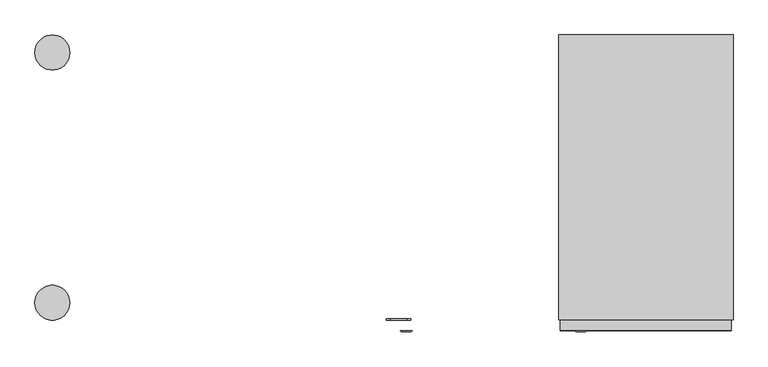
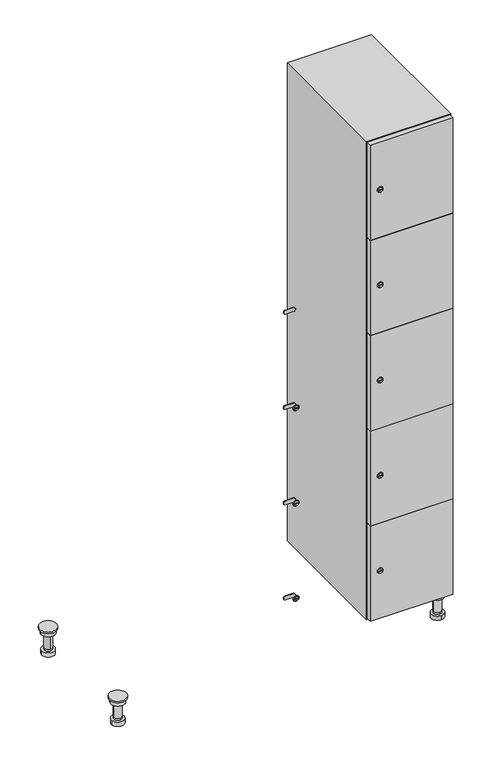
"""IFC4 building model written with IfcOpenShell, lengths in millimetres: furniture geometry."""

from ifc_helpers import new_model, si_unit, point, frame, frame_2d, origin, place, context, project, spatial, polyline, circle_curve, trimmed, segment, composite_curve, outline, extrude, faceted_brep, source, transform, mapped, element, save
from ifc_brep_helpers import plane_surface, cylinder_surface, revolved_surface, advanced_brep


def furniture_3478389c(model_context):
    return source(origin(), model_context, "Body", "SolidModel", [
        advanced_brep(
        [(970.0, -201.0, 22.0), (970.0, -201.5, 16.0), (970.0, -228.5, 16.0), (970.0, -229.0, 22.0), (956.0, -215.0, 22.0), (984.0, -215.0, 22.0), (970.0, -192.5, 16.0), (970.0, -237.5, 16.0), (970.0, -192.5, 0.0), (970.0, -237.5, 0.0), (984.0, -215.0, 78.0), (956.0, -215.0, 78.0), (995.0, -215.0, 78.0), (945.0, -215.0, 78.0), (1000.0, -215.0, 94.0), (940.0, -215.0, 94.0), (945.0, -215.0, 94.0), (995.0, -215.0, 94.0), (1000.0, -215.0, 100.0), (940.0, -215.0, 100.0)],
        [
            (0, 1),
            (1, 2, circle_curve(frame((970.0, -215.0, 16.0), z_axis=(0.0, 0.0, 1.0), x_axis=(0.0, -1.0, 0.0)), 13.5)),
            (2, 3),
            (3, 4, circle_curve(frame((970.0, -215.0, 22.0), z_axis=(0.0, 0.0, -1.0), x_axis=(0.0, -1.0, 0.0)), 14.0)),
            (4, 0, circle_curve(frame((970.0, -215.0, 22.0), z_axis=(0.0, 0.0, -1.0), x_axis=(0.0, -1.0, 0.0)), 14.0)),
            (0, 5, circle_curve(frame((970.0, -215.0, 22.0), z_axis=(0.0, 0.0, -1.0), x_axis=(0.0, 1.0, 0.0)), 14.0)),
            (5, 3, circle_curve(frame((970.0, -215.0, 22.0), z_axis=(0.0, 0.0, -1.0), x_axis=(0.0, 1.0, 0.0)), 14.0)),
            (2, 1, circle_curve(frame((970.0, -215.0, 16.0), z_axis=(0.0, 0.0, 1.0), x_axis=(0.0, 1.0, 0.0)), 13.5)),
            (6, 7, circle_curve(frame((970.0, -215.0, 16.0), z_axis=(0.0, 0.0, 1.0), x_axis=(0.0, -1.0, 0.0)), 22.5)),
            (7, 6, circle_curve(frame((970.0, -215.0, 16.0), z_axis=(0.0, 0.0, 1.0), x_axis=(0.0, -1.0, 0.0)), 22.5)),
            (8, 9, circle_curve(frame((970.0, -215.0, 0.0), z_axis=(0.0, 0.0, -1.0), x_axis=(0.0, -1.0, 0.0)), 22.5)),
            (9, 8, circle_curve(frame((970.0, -215.0, 0.0), z_axis=(0.0, 0.0, -1.0), x_axis=(0.0, -1.0, 0.0)), 22.5)),
            (6, 8),
            (9, 7),
            (5, 10),
            (10, 11, circle_curve(frame((970.0, -215.0, 78.0), z_axis=(0.0, 0.0, -1.0), x_axis=(-1.0, 0.0, 0.0)), 14.0)),
            (11, 4),
            (11, 10, circle_curve(frame((970.0, -215.0, 78.0), z_axis=(0.0, 0.0, -1.0), x_axis=(-1.0, 0.0, 0.0)), 14.0)),
            (12, 13, circle_curve(frame((970.0, -215.0, 78.0), z_axis=(0.0, 0.0, -1.0), x_axis=(-1.0, 0.0, 0.0)), 25.0)),
            (13, 12, circle_curve(frame((970.0, -215.0, 78.0), z_axis=(0.0, 0.0, -1.0), x_axis=(-1.0, 0.0, 0.0)), 25.0)),
            (14, 15, circle_curve(frame((970.0, -215.0, 94.0), z_axis=(0.0, 0.0, -1.0), x_axis=(-1.0, 0.0, 0.0)), 30.0)),
            (15, 14, circle_curve(frame((970.0, -215.0, 94.0), z_axis=(0.0, 0.0, -1.0), x_axis=(-1.0, 0.0, 0.0)), 30.0)),
            (16, 17, circle_curve(frame((970.0, -215.0, 94.0), z_axis=(0.0, 0.0, 1.0), x_axis=(-1.0, 0.0, 0.0)), 25.0)),
            (17, 16, circle_curve(frame((970.0, -215.0, 94.0), z_axis=(0.0, 0.0, 1.0), x_axis=(-1.0, 0.0, 0.0)), 25.0)),
            (18, 19, circle_curve(frame((970.0, -215.0, 100.0), z_axis=(0.0, 0.0, 1.0), x_axis=(-1.0, 0.0, 0.0)), 30.0)),
            (19, 18, circle_curve(frame((970.0, -215.0, 100.0), z_axis=(0.0, 0.0, 1.0), x_axis=(-1.0, 0.0, 0.0)), 30.0)),
            (14, 18),
            (19, 15),
            (12, 17),
            (16, 13),
        ],
        [
            revolved_surface(polyline([(970.0, -201.5, 16.0), (970.0, -201.0, 22.0)]), (970.0, -215.0, -146.0), (0.0, 0.0, 1.0)),
            plane_surface(frame((970.0, 0.0, 16.0), z_axis=(0.0, 0.0, 1.0), x_axis=(0.0, -1.0, 0.0))),
            plane_surface(frame((970.0, 0.0, 0.0), z_axis=(0.0, 0.0, -1.0), x_axis=(0.0, -1.0, 0.0))),
            cylinder_surface(frame((970.0, -215.0, 16.0), z_axis=(0.0, 0.0, 1.0), x_axis=(0.0, -1.0, 0.0)), 22.5),
            cylinder_surface(frame((970.0, -215.0, 22.0), z_axis=(0.0, 0.0, -1.0), x_axis=(-1.0, 0.0, 0.0)), 14.0),
            plane_surface(frame((970.0, 0.0, 78.0), z_axis=(0.0, 0.0, -1.0), x_axis=(0.0, -1.0, 0.0))),
            plane_surface(frame((970.0, 0.0, 94.0), z_axis=(0.0, 0.0, -1.0), x_axis=(0.0, -1.0, 0.0))),
            plane_surface(frame((970.0, 0.0, 100.0), z_axis=(0.0, 0.0, 1.0), x_axis=(0.0, -1.0, 0.0))),
            cylinder_surface(frame((970.0, -215.0, 94.0), z_axis=(0.0, 0.0, -1.0), x_axis=(-1.0, 0.0, 0.0)), 30.0),
            cylinder_surface(frame((970.0, -215.0, 78.0), z_axis=(0.0, 0.0, -1.0), x_axis=(-1.0, 0.0, 0.0)), 25.0),
        ],
        [
            (0, [[1, 2, 3, 4, 5]]),
            (0, [[-1, 6, 7, -3, 8]]),
            (1, [[9, 10], [-2, -8]]),
            (2, [[11, 12]]),
            (3, [[-9, 13, -12, 14]]),
            (3, [[-10, -14, -11, -13]]),
            (4, [[15, 16, 17, -4, -7]]),
            (4, [[-15, -6, -5, -17, 18]]),
            (5, [[19, 20], [-16, -18]]),
            (6, [[21, 22], [23, 24]]),
            (7, [[25, 26]]),
            (8, [[-21, 27, -26, 28]]),
            (8, [[-22, -28, -25, -27]]),
            (9, [[-19, 29, -23, 30]]),
            (9, [[-20, -30, -24, -29]]),
        ],
    ),
        advanced_brep(
        [(-170.0, -201.0, 22.0), (-170.0, -201.5, 16.0), (-170.0, -228.5, 16.0), (-170.0, -229.0, 22.0), (-184.0, -215.0, 22.0), (-156.0, -215.0, 22.0), (-147.5, -215.0, 0.0), (-192.5, -215.0, 0.0), (-147.5, -215.0, 16.0), (-192.5, -215.0, 16.0), (-156.0, -215.0, 78.0), (-184.0, -215.0, 78.0), (-145.0, -215.0, 78.0), (-195.0, -215.0, 78.0), (-140.0, -215.0, 94.0), (-200.0, -215.0, 94.0), (-195.0, -215.0, 94.0), (-145.0, -215.0, 94.0), (-140.0, -215.0, 100.0), (-200.0, -215.0, 100.0)],
        [
            (0, 1),
            (1, 2, circle_curve(frame((-170.0, -215.0, 16.0), z_axis=(0.0, 0.0, 1.0), x_axis=(0.0, -1.0, 0.0)), 13.5)),
            (2, 3),
            (3, 4, circle_curve(frame((-170.0, -215.0, 22.0), z_axis=(0.0, 0.0, -1.0), x_axis=(0.0, -1.0, 0.0)), 14.0)),
            (4, 0, circle_curve(frame((-170.0, -215.0, 22.0), z_axis=(0.0, 0.0, -1.0), x_axis=(0.0, -1.0, 0.0)), 14.0)),
            (0, 5, circle_curve(frame((-170.0, -215.0, 22.0), z_axis=(0.0, 0.0, -1.0), x_axis=(0.0, 1.0, 0.0)), 14.0)),
            (5, 3, circle_curve(frame((-170.0, -215.0, 22.0), z_axis=(0.0, 0.0, -1.0), x_axis=(0.0, 1.0, 0.0)), 14.0)),
            (2, 1, circle_curve(frame((-170.0, -215.0, 16.0), z_axis=(0.0, 0.0, 1.0), x_axis=(0.0, 1.0, 0.0)), 13.5)),
            (6, 7, circle_curve(frame((-170.0, -215.0, 0.0), z_axis=(0.0, 0.0, -1.0), x_axis=(-1.0, 0.0, 0.0)), 22.5)),
            (7, 6, circle_curve(frame((-170.0, -215.0, 0.0), z_axis=(0.0, 0.0, -1.0), x_axis=(-1.0, 0.0, 0.0)), 22.5)),
            (8, 9, circle_curve(frame((-170.0, -215.0, 16.0), z_axis=(0.0, 0.0, 1.0), x_axis=(-1.0, 0.0, 0.0)), 22.5)),
            (9, 8, circle_curve(frame((-170.0, -215.0, 16.0), z_axis=(0.0, 0.0, 1.0), x_axis=(-1.0, 0.0, 0.0)), 22.5)),
            (6, 8),
            (9, 7),
            (5, 10),
            (10, 11, circle_curve(frame((-170.0, -215.0, 78.0), z_axis=(0.0, 0.0, -1.0), x_axis=(-1.0, 0.0, 0.0)), 14.0)),
            (11, 4),
            (11, 10, circle_curve(frame((-170.0, -215.0, 78.0), z_axis=(0.0, 0.0, -1.0), x_axis=(-1.0, 0.0, 0.0)), 14.0)),
            (12, 13, circle_curve(frame((-170.0, -215.0, 78.0), z_axis=(0.0, 0.0, -1.0), x_axis=(-1.0, 0.0, 0.0)), 25.0)),
            (13, 12, circle_curve(frame((-170.0, -215.0, 78.0), z_axis=(0.0, 0.0, -1.0), x_axis=(-1.0, 0.0, 0.0)), 25.0)),
            (14, 15, circle_curve(frame((-170.0, -215.0, 94.0), z_axis=(0.0, 0.0, -1.0), x_axis=(-1.0, 0.0, 0.0)), 30.0)),
            (15, 14, circle_curve(frame((-170.0, -215.0, 94.0), z_axis=(0.0, 0.0, -1.0), x_axis=(-1.0, 0.0, 0.0)), 30.0)),
            (16, 17, circle_curve(frame((-170.0, -215.0, 94.0), z_axis=(0.0, 0.0, 1.0), x_axis=(-1.0, 0.0, 0.0)), 25.0)),
            (17, 16, circle_curve(frame((-170.0, -215.0, 94.0), z_axis=(0.0, 0.0, 1.0), x_axis=(-1.0, 0.0, 0.0)), 25.0)),
            (18, 19, circle_curve(frame((-170.0, -215.0, 100.0), z_axis=(0.0, 0.0, 1.0), x_axis=(-1.0, 0.0, 0.0)), 30.0)),
            (19, 18, circle_curve(frame((-170.0, -215.0, 100.0), z_axis=(0.0, 0.0, 1.0), x_axis=(-1.0, 0.0, 0.0)), 30.0)),
            (14, 18),
            (19, 15),
            (12, 17),
            (16, 13),
        ],
        [
            revolved_surface(polyline([(-170.0, -201.5, 16.0), (-170.0, -201.0, 22.0)]), (-170.0, -215.0, -146.0), (0.0, 0.0, 1.0)),
            plane_surface(frame((-170.0, 0.0, 0.0), z_axis=(0.0, 0.0, -1.0), x_axis=(0.0, -1.0, 0.0))),
            plane_surface(frame((-170.0, 0.0, 16.0), z_axis=(0.0, 0.0, 1.0), x_axis=(0.0, -1.0, 0.0))),
            cylinder_surface(frame((-170.0, -215.0, 0.0), z_axis=(0.0, 0.0, -1.0), x_axis=(-1.0, 0.0, 0.0)), 22.5),
            cylinder_surface(frame((-170.0, -215.0, 22.0), z_axis=(0.0, 0.0, -1.0), x_axis=(-1.0, 0.0, 0.0)), 14.0),
            plane_surface(frame((-170.0, 0.0, 78.0), z_axis=(0.0, 0.0, -1.0), x_axis=(0.0, -1.0, 0.0))),
            plane_surface(frame((-170.0, 0.0, 94.0), z_axis=(0.0, 0.0, -1.0), x_axis=(0.0, -1.0, 0.0))),
            plane_surface(frame((-170.0, 0.0, 100.0), z_axis=(0.0, 0.0, 1.0), x_axis=(0.0, -1.0, 0.0))),
            cylinder_surface(frame((-170.0, -215.0, 94.0), z_axis=(0.0, 0.0, -1.0), x_axis=(-1.0, 0.0, 0.0)), 30.0),
            cylinder_surface(frame((-170.0, -215.0, 78.0), z_axis=(0.0, 0.0, -1.0), x_axis=(-1.0, 0.0, 0.0)), 25.0),
        ],
        [
            (0, [[1, 2, 3, 4, 5]]),
            (0, [[-1, 6, 7, -3, 8]]),
            (1, [[9, 10]]),
            (2, [[11, 12], [-2, -8]]),
            (3, [[-9, 13, -12, 14]]),
            (3, [[-10, -14, -11, -13]]),
            (4, [[15, 16, 17, -4, -7]]),
            (4, [[-15, -6, -5, -17, 18]]),
            (5, [[19, 20], [-16, -18]]),
            (6, [[21, 22], [23, 24]]),
            (7, [[25, 26]]),
            (8, [[-21, 27, -26, 28]]),
            (8, [[-22, -28, -25, -27]]),
            (9, [[-19, 29, -23, 30]]),
            (9, [[-20, -30, -24, -29]]),
        ],
    ),
        advanced_brep(
        [(983.5, 215.0, 16.0), (984.0, 215.0, 22.0), (956.0, 215.0, 22.0), (956.5, 215.0, 16.0), (992.5, 215.0, 0.0), (947.5, 215.0, 0.0), (992.5, 215.0, 16.0), (947.5, 215.0, 16.0), (984.0, 215.0, 78.0), (956.0, 215.0, 78.0), (995.0, 215.0, 78.0), (945.0, 215.0, 78.0), (1000.0, 215.0, 94.0), (940.0, 215.0, 94.0), (945.0, 215.0, 94.0), (995.0, 215.0, 94.0), (1000.0, 215.0, 100.0), (940.0, 215.0, 100.0)],
        [
            (0, 1),
            (1, 2, circle_curve(frame((970.0, 215.0, 22.0), z_axis=(0.0, 0.0, -1.0), x_axis=(-1.0, 0.0, 0.0)), 14.0)),
            (2, 3),
            (3, 0, circle_curve(frame((970.0, 215.0, 16.0), z_axis=(0.0, 0.0, 1.0), x_axis=(-1.0, 0.0, 0.0)), 13.5)),
            (0, 3, circle_curve(frame((970.0, 215.0, 16.0), z_axis=(0.0, 0.0, 1.0), x_axis=(1.0, 0.0, 0.0)), 13.5)),
            (2, 1, circle_curve(frame((970.0, 215.0, 22.0), z_axis=(0.0, 0.0, -1.0), x_axis=(1.0, 0.0, 0.0)), 14.0)),
            (4, 5, circle_curve(frame((970.0, 215.0, 0.0), z_axis=(0.0, 0.0, -1.0), x_axis=(-1.0, 0.0, 0.0)), 22.5)),
            (5, 4, circle_curve(frame((970.0, 215.0, 0.0), z_axis=(0.0, 0.0, -1.0), x_axis=(-1.0, 0.0, 0.0)), 22.5)),
            (6, 7, circle_curve(frame((970.0, 215.0, 16.0), z_axis=(0.0, 0.0, 1.0), x_axis=(-1.0, 0.0, 0.0)), 22.5)),
            (7, 6, circle_curve(frame((970.0, 215.0, 16.0), z_axis=(0.0, 0.0, 1.0), x_axis=(-1.0, 0.0, 0.0)), 22.5)),
            (4, 6),
            (7, 5),
            (1, 8),
            (8, 9, circle_curve(frame((970.0, 215.0, 78.0), z_axis=(0.0, 0.0, -1.0), x_axis=(-1.0, 0.0, 0.0)), 14.0)),
            (9, 2),
            (9, 8, circle_curve(frame((970.0, 215.0, 78.0), z_axis=(0.0, 0.0, -1.0), x_axis=(-1.0, 0.0, 0.0)), 14.0)),
            (10, 11, circle_curve(frame((970.0, 215.0, 78.0), z_axis=(0.0, 0.0, -1.0), x_axis=(-1.0, 0.0, 0.0)), 25.0)),
            (11, 10, circle_curve(frame((970.0, 215.0, 78.0), z_axis=(0.0, 0.0, -1.0), x_axis=(-1.0, 0.0, 0.0)), 25.0)),
            (12, 13, circle_curve(frame((970.0, 215.0, 94.0), z_axis=(0.0, 0.0, -1.0), x_axis=(-1.0, 0.0, 0.0)), 30.0)),
            (13, 12, circle_curve(frame((970.0, 215.0, 94.0), z_axis=(0.0, 0.0, -1.0), x_axis=(-1.0, 0.0, 0.0)), 30.0)),
            (14, 15, circle_curve(frame((970.0, 215.0, 94.0), z_axis=(0.0, 0.0, 1.0), x_axis=(-1.0, 0.0, 0.0)), 25.0)),
            (15, 14, circle_curve(frame((970.0, 215.0, 94.0), z_axis=(0.0, 0.0, 1.0), x_axis=(-1.0, 0.0, 0.0)), 25.0)),
            (16, 17, circle_curve(frame((970.0, 215.0, 100.0), z_axis=(0.0, 0.0, 1.0), x_axis=(-1.0, 0.0, 0.0)), 30.0)),
            (17, 16, circle_curve(frame((970.0, 215.0, 100.0), z_axis=(0.0, 0.0, 1.0), x_axis=(-1.0, 0.0, 0.0)), 30.0)),
            (12, 16),
            (17, 13),
            (10, 15),
            (14, 11),
        ],
        [
            revolved_surface(polyline([(983.5, 215.0, 16.0), (984.0, 215.0, 22.0)]), (970.0, 215.0, -146.0), (0.0, 0.0, 1.0)),
            plane_surface(frame((970.0, 0.0, 0.0), z_axis=(0.0, 0.0, -1.0), x_axis=(0.0, -1.0, 0.0))),
            plane_surface(frame((970.0, 0.0, 16.0), z_axis=(0.0, 0.0, 1.0), x_axis=(0.0, -1.0, 0.0))),
            cylinder_surface(frame((970.0, 215.0, 0.0), z_axis=(0.0, 0.0, -1.0), x_axis=(-1.0, 0.0, 0.0)), 22.5),
            cylinder_surface(frame((970.0, 215.0, 22.0), z_axis=(0.0, 0.0, -1.0), x_axis=(-1.0, 0.0, 0.0)), 14.0),
            plane_surface(frame((970.0, 0.0, 78.0), z_axis=(0.0, 0.0, -1.0), x_axis=(0.0, -1.0, 0.0))),
            plane_surface(frame((970.0, 0.0, 94.0), z_axis=(0.0, 0.0, -1.0), x_axis=(0.0, -1.0, 0.0))),
            plane_surface(frame((970.0, 0.0, 100.0), z_axis=(0.0, 0.0, 1.0), x_axis=(0.0, -1.0, 0.0))),
            cylinder_surface(frame((970.0, 215.0, 94.0), z_axis=(0.0, 0.0, -1.0), x_axis=(-1.0, 0.0, 0.0)), 30.0),
            cylinder_surface(frame((970.0, 215.0, 78.0), z_axis=(0.0, 0.0, -1.0), x_axis=(-1.0, 0.0, 0.0)), 25.0),
        ],
        [
            (0, [[1, 2, 3, 4]]),
            (0, [[-1, 5, -3, 6]]),
            (1, [[7, 8]]),
            (2, [[9, 10], [-4, -5]]),
            (3, [[-7, 11, -10, 12]]),
            (3, [[-8, -12, -9, -11]]),
            (4, [[13, 14, 15, -2]]),
            (4, [[-13, -6, -15, 16]]),
            (5, [[17, 18], [-14, -16]]),
            (6, [[19, 20], [21, 22]]),
            (7, [[23, 24]]),
            (8, [[-19, 25, -24, 26]]),
            (8, [[-20, -26, -23, -25]]),
            (9, [[-17, 27, -21, 28]]),
            (9, [[-18, -28, -22, -27]]),
        ],
    ),
        advanced_brep(
        [(-156.5, 215.0, 16.0), (-156.0, 215.0, 22.0), (-170.0, 201.0, 22.0), (-184.0, 215.0, 22.0), (-183.5, 215.0, 16.0), (-170.0, 229.0, 22.0), (-147.5, 215.0, 0.0), (-192.5, 215.0, 0.0), (-147.5, 215.0, 16.0), (-192.5, 215.0, 16.0), (-170.0, 229.0, 78.0), (-170.0, 201.0, 78.0), (-145.0, 215.0, 78.0), (-195.0, 215.0, 78.0), (-140.0, 215.0, 94.0), (-200.0, 215.0, 94.0), (-195.0, 215.0, 94.0), (-145.0, 215.0, 94.0), (-140.0, 215.0, 100.0), (-200.0, 215.0, 100.0)],
        [
            (0, 1),
            (1, 2, circle_curve(frame((-170.0, 215.0, 22.0), z_axis=(0.0, 0.0, -1.0), x_axis=(-1.0, 0.0, 0.0)), 14.0)),
            (2, 3, circle_curve(frame((-170.0, 215.0, 22.0), z_axis=(0.0, 0.0, -1.0), x_axis=(-1.0, 0.0, 0.0)), 14.0)),
            (3, 4),
            (4, 0, circle_curve(frame((-170.0, 215.0, 16.0), z_axis=(0.0, 0.0, 1.0), x_axis=(-1.0, 0.0, 0.0)), 13.5)),
            (0, 4, circle_curve(frame((-170.0, 215.0, 16.0), z_axis=(0.0, 0.0, 1.0), x_axis=(1.0, 0.0, 0.0)), 13.5)),
            (3, 5, circle_curve(frame((-170.0, 215.0, 22.0), z_axis=(0.0, 0.0, -1.0), x_axis=(1.0, 0.0, 0.0)), 14.0)),
            (5, 1, circle_curve(frame((-170.0, 215.0, 22.0), z_axis=(0.0, 0.0, -1.0), x_axis=(1.0, 0.0, 0.0)), 14.0)),
            (6, 7, circle_curve(frame((-170.0, 215.0, 0.0), z_axis=(0.0, 0.0, -1.0), x_axis=(-1.0, 0.0, 0.0)), 22.5)),
            (7, 6, circle_curve(frame((-170.0, 215.0, 0.0), z_axis=(0.0, 0.0, -1.0), x_axis=(-1.0, 0.0, 0.0)), 22.5)),
            (8, 9, circle_curve(frame((-170.0, 215.0, 16.0), z_axis=(0.0, 0.0, 1.0), x_axis=(-1.0, 0.0, 0.0)), 22.5)),
            (9, 8, circle_curve(frame((-170.0, 215.0, 16.0), z_axis=(0.0, 0.0, 1.0), x_axis=(-1.0, 0.0, 0.0)), 22.5)),
            (6, 8),
            (9, 7),
            (10, 5),
            (2, 11),
            (11, 10, circle_curve(frame((-170.0, 215.0, 78.0), z_axis=(0.0, 0.0, -1.0), x_axis=(0.0, -1.0, 0.0)), 14.0)),
            (10, 11, circle_curve(frame((-170.0, 215.0, 78.0), z_axis=(0.0, 0.0, -1.0), x_axis=(0.0, -1.0, 0.0)), 14.0)),
            (12, 13, circle_curve(frame((-170.0, 215.0, 78.0), z_axis=(0.0, 0.0, -1.0), x_axis=(-1.0, 0.0, 0.0)), 25.0)),
            (13, 12, circle_curve(frame((-170.0, 215.0, 78.0), z_axis=(0.0, 0.0, -1.0), x_axis=(-1.0, 0.0, 0.0)), 25.0)),
            (14, 15, circle_curve(frame((-170.0, 215.0, 94.0), z_axis=(0.0, 0.0, -1.0), x_axis=(-1.0, 0.0, 0.0)), 30.0)),
            (15, 14, circle_curve(frame((-170.0, 215.0, 94.0), z_axis=(0.0, 0.0, -1.0), x_axis=(-1.0, 0.0, 0.0)), 30.0)),
            (16, 17, circle_curve(frame((-170.0, 215.0, 94.0), z_axis=(0.0, 0.0, 1.0), x_axis=(-1.0, 0.0, 0.0)), 25.0)),
            (17, 16, circle_curve(frame((-170.0, 215.0, 94.0), z_axis=(0.0, 0.0, 1.0), x_axis=(-1.0, 0.0, 0.0)), 25.0)),
            (18, 19, circle_curve(frame((-170.0, 215.0, 100.0), z_axis=(0.0, 0.0, 1.0), x_axis=(-1.0, 0.0, 0.0)), 30.0)),
            (19, 18, circle_curve(frame((-170.0, 215.0, 100.0), z_axis=(0.0, 0.0, 1.0), x_axis=(-1.0, 0.0, 0.0)), 30.0)),
            (14, 18),
            (19, 15),
            (12, 17),
            (16, 13),
        ],
        [
            revolved_surface(polyline([(-156.5, 215.0, 16.0), (-156.0, 215.0, 22.0)]), (-170.0, 215.0, -146.0), (0.0, 0.0, 1.0)),
            plane_surface(frame((-170.0, 0.0, 0.0), z_axis=(0.0, 0.0, -1.0), x_axis=(0.0, -1.0, 0.0))),
            plane_surface(frame((-170.0, 0.0, 16.0), z_axis=(0.0, 0.0, 1.0), x_axis=(0.0, -1.0, 0.0))),
            cylinder_surface(frame((-170.0, 215.0, 0.0), z_axis=(0.0, 0.0, -1.0), x_axis=(-1.0, 0.0, 0.0)), 22.5),
            cylinder_surface(frame((-170.0, 215.0, 78.0), z_axis=(0.0, 0.0, 1.0), x_axis=(0.0, -1.0, 0.0)), 14.0),
            plane_surface(frame((-170.0, 0.0, 78.0), z_axis=(0.0, 0.0, -1.0), x_axis=(0.0, -1.0, 0.0))),
            plane_surface(frame((-170.0, 0.0, 94.0), z_axis=(0.0, 0.0, -1.0), x_axis=(0.0, -1.0, 0.0))),
            plane_surface(frame((-170.0, 0.0, 100.0), z_axis=(0.0, 0.0, 1.0), x_axis=(0.0, -1.0, 0.0))),
            cylinder_surface(frame((-170.0, 215.0, 94.0), z_axis=(0.0, 0.0, -1.0), x_axis=(-1.0, 0.0, 0.0)), 30.0),
            cylinder_surface(frame((-170.0, 215.0, 78.0), z_axis=(0.0, 0.0, -1.0), x_axis=(-1.0, 0.0, 0.0)), 25.0),
        ],
        [
            (0, [[1, 2, 3, 4, 5]]),
            (0, [[-1, 6, -4, 7, 8]]),
            (1, [[9, 10]]),
            (2, [[11, 12], [-5, -6]]),
            (3, [[-9, 13, -12, 14]]),
            (3, [[-10, -14, -11, -13]]),
            (4, [[15, -7, -3, 16, 17]]),
            (4, [[-15, 18, -16, -2, -8]]),
            (5, [[19, 20], [-17, -18]]),
            (6, [[21, 22], [23, 24]]),
            (7, [[25, 26]]),
            (8, [[-21, 27, -26, 28]]),
            (8, [[-22, -28, -25, -27]]),
            (9, [[-19, 29, -23, 30]]),
            (9, [[-20, -30, -24, -29]]),
        ],
    ),
        extrude(outline(composite_curve([segment(trimmed(circle_curve(frame_2d((282.4, 711.2010534)), 7.0), [point((289.4, 711.2010534))], [point((275.4, 711.2010534))], False, "CARTESIAN"), True, "CONTINUOUS"), segment(polyline([(275.4, 711.2010534), (275.4, 739.2010534)]), True, "CONTINUOUS"), segment(trimmed(circle_curve(frame_2d((282.4, 739.2010534)), 7.0), [point((275.4, 739.2010534))], [point((289.4, 739.2010534))], False, "CARTESIAN"), True, "CONTINUOUS"), segment(polyline([(289.4, 739.2010534), (289.4, 711.2010534)]), True, "CONTINUOUS")], self_intersect=False)), frame((0.0, -245.0, 0.0), z_axis=(0.0, 1.0, 0.0), x_axis=(0.0, 0.0, 1.0)), (0.0, 0.0, 1.0), 2.0),
        advanced_brep(
        [(746.5, -265.2, 282.4), (729.5, -265.2, 282.4), (733.0, -265.2, 281.15), (733.0, -265.2, 283.65), (743.0, -265.2, 283.65), (743.0, -265.2, 281.15), (748.5, -263.0, 282.4), (727.5, -263.0, 282.4), (733.0, -263.0, 283.65), (733.0, -263.0, 281.15), (743.0, -263.0, 281.15), (743.0, -263.0, 283.65)],
        [
            (0, 1, circle_curve(frame((738.0, -265.2, 282.4), z_axis=(0.0, -1.0, 0.0), x_axis=(1.0, 0.0, 0.0)), 8.5)),
            (1, 0, circle_curve(frame((738.0, -265.2, 282.4), z_axis=(0.0, -1.0, 0.0), x_axis=(-1.0, 0.0, 0.0)), 8.5)),
            (2, 3),
            (3, 4),
            (4, 5),
            (5, 2),
            (6, 7, circle_curve(frame((738.0, -263.0, 282.4), z_axis=(0.0, 1.0, 0.0), x_axis=(-1.0, 0.0, 0.0)), 10.5)),
            (7, 6, circle_curve(frame((738.0, -263.0, 282.4), z_axis=(0.0, 1.0, 0.0), x_axis=(1.0, 0.0, 0.0)), 10.5)),
            (8, 9),
            (9, 10),
            (10, 11),
            (11, 8),
            (0, 6),
            (7, 1),
            (8, 3),
            (2, 9),
            (11, 4),
            (10, 5),
        ],
        [
            plane_surface(frame((738.0, -265.2, 282.4), z_axis=(0.0, -1.0, 0.0), x_axis=(0.0, 0.0, 1.0))),
            plane_surface(frame((738.0, -263.0, 282.4), z_axis=(0.0, 1.0, 0.0), x_axis=(0.0, 0.0, 1.0))),
            revolved_surface(polyline([(746.5, -265.2, 282.4), (748.5, -263.0, 282.4)]), (738.0, -274.55, 282.4), (0.0, 1.0, 0.0)),
            revolved_surface(polyline([(729.5, -265.2, 282.4), (727.5, -263.0, 282.4)]), (738.0, -274.55, 282.4), (0.0, 1.0, 0.0)),
            plane_surface(frame((733.0, -263.0, 281.15), z_axis=(1.0, 0.0, 0.0), x_axis=(0.0, -1.0, 0.0))),
            plane_surface(frame((733.0, -263.0, 283.65), z_axis=(0.0, 0.0, -1.0), x_axis=(0.0, -1.0, 0.0))),
            plane_surface(frame((743.0, -263.0, 283.65), z_axis=(-1.0, 0.0, 0.0), x_axis=(0.0, -1.0, 0.0))),
            plane_surface(frame((743.0, -263.0, 281.15), z_axis=(0.0, 0.0, 1.0), x_axis=(0.0, -1.0, 0.0))),
        ],
        [
            (0, [[1, 2], [3, 4, 5, 6]]),
            (1, [[7, 8], [9, 10, 11, 12]]),
            (2, [[-1, 13, -8, 14]]),
            (3, [[-2, -14, -7, -13]]),
            (4, [[15, -3, 16, -9]]),
            (5, [[-15, -12, 17, -4]]),
            (6, [[-17, -11, 18, -5]]),
            (7, [[-16, -6, -18, -10]]),
        ],
    ),
        extrude(outline(composite_curve([segment(trimmed(circle_curve(frame_2d((641.2, 711.2010534)), 7.0), [point((648.2, 711.2010534))], [point((634.2, 711.2010534))], False, "CARTESIAN"), True, "CONTINUOUS"), segment(polyline([(634.2, 711.2010534), (634.2, 739.2010534)]), True, "CONTINUOUS"), segment(trimmed(circle_curve(frame_2d((641.2, 739.2010534)), 7.0), [point((634.2, 739.2010534))], [point((648.2, 739.2010534))], False, "CARTESIAN"), True, "CONTINUOUS"), segment(polyline([(648.2, 739.2010534), (648.2, 711.2010534)]), True, "CONTINUOUS")], self_intersect=False)), frame((0.0, -245.0, 0.0), z_axis=(0.0, 1.0, 0.0), x_axis=(0.0, 0.0, 1.0)), (0.0, 0.0, 1.0), 2.0),
        advanced_brep(
        [(746.5, -265.2, 641.2), (729.5, -265.2, 641.2), (733.0, -265.2, 639.95), (733.0, -265.2, 642.45), (743.0, -265.2, 642.45), (743.0, -265.2, 639.95), (748.5, -263.0, 641.2), (727.5, -263.0, 641.2), (733.0, -263.0, 642.45), (733.0, -263.0, 639.95), (743.0, -263.0, 639.95), (743.0, -263.0, 642.45)],
        [
            (0, 1, circle_curve(frame((738.0, -265.2, 641.2), z_axis=(0.0, -1.0, 0.0), x_axis=(1.0, 0.0, 0.0)), 8.5)),
            (1, 0, circle_curve(frame((738.0, -265.2, 641.2), z_axis=(0.0, -1.0, 0.0), x_axis=(-1.0, 0.0, 0.0)), 8.5)),
            (2, 3),
            (3, 4),
            (4, 5),
            (5, 2),
            (6, 7, circle_curve(frame((738.0, -263.0, 641.2), z_axis=(0.0, 1.0, 0.0), x_axis=(-1.0, 0.0, 0.0)), 10.5)),
            (7, 6, circle_curve(frame((738.0, -263.0, 641.2), z_axis=(0.0, 1.0, 0.0), x_axis=(1.0, 0.0, 0.0)), 10.5)),
            (8, 9),
            (9, 10),
            (10, 11),
            (11, 8),
            (0, 6),
            (7, 1),
            (8, 3),
            (2, 9),
            (11, 4),
            (10, 5),
        ],
        [
            plane_surface(frame((738.0, -265.2, 641.2), z_axis=(0.0, -1.0, 0.0), x_axis=(0.0, 0.0, 1.0))),
            plane_surface(frame((738.0, -263.0, 641.2), z_axis=(0.0, 1.0, 0.0), x_axis=(0.0, 0.0, 1.0))),
            revolved_surface(polyline([(746.5, -265.2, 641.2), (748.5, -263.0, 641.2)]), (738.0, -274.55, 641.2), (0.0, 1.0, 0.0)),
            revolved_surface(polyline([(729.5, -265.2, 641.2), (727.5, -263.0, 641.2)]), (738.0, -274.55, 641.2), (0.0, 1.0, 0.0)),
            plane_surface(frame((733.0, -263.0, 639.95), z_axis=(1.0, 0.0, 0.0), x_axis=(0.0, -1.0, 0.0))),
            plane_surface(frame((733.0, -263.0, 642.45), z_axis=(0.0, 0.0, -1.0), x_axis=(0.0, -1.0, 0.0))),
            plane_surface(frame((743.0, -263.0, 642.45), z_axis=(-1.0, 0.0, 0.0), x_axis=(0.0, -1.0, 0.0))),
            plane_surface(frame((743.0, -263.0, 639.95), z_axis=(0.0, 0.0, 1.0), x_axis=(0.0, -1.0, 0.0))),
        ],
        [
            (0, [[1, 2], [3, 4, 5, 6]]),
            (1, [[7, 8], [9, 10, 11, 12]]),
            (2, [[-1, 13, -8, 14]]),
            (3, [[-2, -14, -7, -13]]),
            (4, [[15, -3, 16, -9]]),
            (5, [[-15, -12, 17, -4]]),
            (6, [[-17, -11, 18, -5]]),
            (7, [[-16, -6, -18, -10]]),
        ],
    ),
        extrude(outline(composite_curve([segment(trimmed(circle_curve(frame_2d((1000.0, 711.2010534)), 7.0), [point((1007.0, 711.2010534))], [point((993.0, 711.2010534))], False, "CARTESIAN"), True, "CONTINUOUS"), segment(polyline([(993.0, 711.2010534), (993.0, 739.2010534)]), True, "CONTINUOUS"), segment(trimmed(circle_curve(frame_2d((1000.0, 739.2010534)), 7.0), [point((993.0, 739.2010534))], [point((1007.0, 739.2010534))], False, "CARTESIAN"), True, "CONTINUOUS"), segment(polyline([(1007.0, 739.2010534), (1007.0, 711.2010534)]), True, "CONTINUOUS")], self_intersect=False)), frame((0.0, -245.0, 0.0), z_axis=(0.0, 1.0, 0.0), x_axis=(0.0, 0.0, 1.0)), (0.0, 0.0, 1.0), 2.0),
        advanced_brep(
        [(746.5, -265.2, 1000.0), (729.5, -265.2, 1000.0), (733.0, -265.2, 998.75), (733.0, -265.2, 1001.25), (743.0, -265.2, 1001.25), (743.0, -265.2, 998.75), (748.5, -263.0, 1000.0), (727.5, -263.0, 1000.0), (733.0, -263.0, 1001.25), (733.0, -263.0, 998.75), (743.0, -263.0, 998.75), (743.0, -263.0, 1001.25)],
        [
            (0, 1, circle_curve(frame((738.0, -265.2, 1000.0), z_axis=(0.0, -1.0, 0.0), x_axis=(1.0, 0.0, 0.0)), 8.5)),
            (1, 0, circle_curve(frame((738.0, -265.2, 1000.0), z_axis=(0.0, -1.0, 0.0), x_axis=(-1.0, 0.0, 0.0)), 8.5)),
            (2, 3),
            (3, 4),
            (4, 5),
            (5, 2),
            (6, 7, circle_curve(frame((738.0, -263.0, 1000.0), z_axis=(0.0, 1.0, 0.0), x_axis=(-1.0, 0.0, 0.0)), 10.5)),
            (7, 6, circle_curve(frame((738.0, -263.0, 1000.0), z_axis=(0.0, 1.0, 0.0), x_axis=(1.0, 0.0, 0.0)), 10.5)),
            (8, 9),
            (9, 10),
            (10, 11),
            (11, 8),
            (0, 6),
            (7, 1),
            (8, 3),
            (2, 9),
            (11, 4),
            (10, 5),
        ],
        [
            plane_surface(frame((738.0, -265.2, 1000.0), z_axis=(0.0, -1.0, 0.0), x_axis=(0.0, 0.0, 1.0))),
            plane_surface(frame((738.0, -263.0, 1000.0), z_axis=(0.0, 1.0, 0.0), x_axis=(0.0, 0.0, 1.0))),
            revolved_surface(polyline([(746.5, -265.2, 1000.0), (748.5, -263.0, 1000.0)]), (738.0, -274.55, 1000.0), (0.0, 1.0, 0.0)),
            revolved_surface(polyline([(729.5, -265.2, 1000.0), (727.5, -263.0, 1000.0)]), (738.0, -274.55, 1000.0), (0.0, 1.0, 0.0)),
            plane_surface(frame((733.0, -263.0, 998.75), z_axis=(1.0, 0.0, 0.0), x_axis=(0.0, -1.0, 0.0))),
            plane_surface(frame((733.0, -263.0, 1001.25), z_axis=(0.0, 0.0, -1.0), x_axis=(0.0, -1.0, 0.0))),
            plane_surface(frame((743.0, -263.0, 1001.25), z_axis=(-1.0, 0.0, 0.0), x_axis=(0.0, -1.0, 0.0))),
            plane_surface(frame((743.0, -263.0, 998.75), z_axis=(0.0, 0.0, 1.0), x_axis=(0.0, -1.0, 0.0))),
        ],
        [
            (0, [[1, 2], [3, 4, 5, 6]]),
            (1, [[7, 8], [9, 10, 11, 12]]),
            (2, [[-1, 13, -8, 14]]),
            (3, [[-2, -14, -7, -13]]),
            (4, [[15, -3, 16, -9]]),
            (5, [[-15, -12, 17, -4]]),
            (6, [[-17, -11, 18, -5]]),
            (7, [[-16, -6, -18, -10]]),
        ],
    ),
        extrude(outline(composite_curve([segment(trimmed(circle_curve(frame_2d((1358.8, 711.2010534)), 7.0), [point((1365.8, 711.2010534))], [point((1351.8, 711.2010534))], False, "CARTESIAN"), True, "CONTINUOUS"), segment(polyline([(1351.8, 711.2010534), (1351.8, 739.2010534)]), True, "CONTINUOUS"), segment(trimmed(circle_curve(frame_2d((1358.8, 739.2010534)), 7.0), [point((1351.8, 739.2010534))], [point((1365.8, 739.2010534))], False, "CARTESIAN"), True, "CONTINUOUS"), segment(polyline([(1365.8, 739.2010534), (1365.8, 711.2010534)]), True, "CONTINUOUS")], self_intersect=False)), frame((0.0, -245.0, 0.0), z_axis=(0.0, 1.0, 0.0), x_axis=(0.0, 0.0, 1.0)), (0.0, 0.0, 1.0), 2.0),
        advanced_brep(
        [(746.5, -265.2, 1358.8), (729.5, -265.2, 1358.8), (733.0, -265.2, 1357.55), (733.0, -265.2, 1360.05), (743.0, -265.2, 1360.05), (743.0, -265.2, 1357.55), (748.5, -263.0, 1358.8), (727.5, -263.0, 1358.8), (733.0, -263.0, 1360.05), (733.0, -263.0, 1357.55), (743.0, -263.0, 1357.55), (743.0, -263.0, 1360.05)],
        [
            (0, 1, circle_curve(frame((738.0, -265.2, 1358.8), z_axis=(0.0, -1.0, 0.0), x_axis=(1.0, 0.0, 0.0)), 8.5)),
            (1, 0, circle_curve(frame((738.0, -265.2, 1358.8), z_axis=(0.0, -1.0, 0.0), x_axis=(-1.0, 0.0, 0.0)), 8.5)),
            (2, 3),
            (3, 4),
            (4, 5),
            (5, 2),
            (6, 7, circle_curve(frame((738.0, -263.0, 1358.8), z_axis=(0.0, 1.0, 0.0), x_axis=(-1.0, 0.0, 0.0)), 10.5)),
            (7, 6, circle_curve(frame((738.0, -263.0, 1358.8), z_axis=(0.0, 1.0, 0.0), x_axis=(1.0, 0.0, 0.0)), 10.5)),
            (8, 9),
            (9, 10),
            (10, 11),
            (11, 8),
            (0, 6),
            (7, 1),
            (8, 3),
            (2, 9),
            (11, 4),
            (10, 5),
        ],
        [
            plane_surface(frame((738.0, -265.2, 1358.8), z_axis=(0.0, -1.0, 0.0), x_axis=(0.0, 0.0, 1.0))),
            plane_surface(frame((738.0, -263.0, 1358.8), z_axis=(0.0, 1.0, 0.0), x_axis=(0.0, 0.0, 1.0))),
            revolved_surface(polyline([(746.5, -265.2, 1358.8), (748.5, -263.0, 1358.8)]), (738.0, -274.55, 1358.8), (0.0, 1.0, 0.0)),
            revolved_surface(polyline([(729.5, -265.2, 1358.8), (727.5, -263.0, 1358.8)]), (738.0, -274.55, 1358.8), (0.0, 1.0, 0.0)),
            plane_surface(frame((733.0, -263.0, 1357.55), z_axis=(1.0, 0.0, 0.0), x_axis=(0.0, -1.0, 0.0))),
            plane_surface(frame((733.0, -263.0, 1360.05), z_axis=(0.0, 0.0, -1.0), x_axis=(0.0, -1.0, 0.0))),
            plane_surface(frame((743.0, -263.0, 1360.05), z_axis=(-1.0, 0.0, 0.0), x_axis=(0.0, -1.0, 0.0))),
            plane_surface(frame((743.0, -263.0, 1357.55), z_axis=(0.0, 0.0, 1.0), x_axis=(0.0, -1.0, 0.0))),
        ],
        [
            (0, [[1, 2], [3, 4, 5, 6]]),
            (1, [[7, 8], [9, 10, 11, 12]]),
            (2, [[-1, 13, -8, 14]]),
            (3, [[-2, -14, -7, -13]]),
            (4, [[15, -3, 16, -9]]),
            (5, [[-15, -12, 17, -4]]),
            (6, [[-17, -11, 18, -5]]),
            (7, [[-16, -6, -18, -10]]),
        ],
    ),
        extrude(outline(composite_curve([segment(trimmed(circle_curve(frame_2d((1717.6, 711.2010534)), 7.0), [point((1724.6, 711.2010534))], [point((1710.6, 711.2010534))], False, "CARTESIAN"), True, "CONTINUOUS"), segment(polyline([(1710.6, 711.2010534), (1710.6, 739.2010534)]), True, "CONTINUOUS"), segment(trimmed(circle_curve(frame_2d((1717.6, 739.2010534)), 7.0), [point((1710.6, 739.2010534))], [point((1724.6, 739.2010534))], False, "CARTESIAN"), True, "CONTINUOUS"), segment(polyline([(1724.6, 739.2010534), (1724.6, 711.2010534)]), True, "CONTINUOUS")], self_intersect=False)), frame((0.0, -245.0, 0.0), z_axis=(0.0, 1.0, 0.0), x_axis=(0.0, 0.0, 1.0)), (0.0, 0.0, 1.0), 2.0),
        advanced_brep(
        [(746.5, -265.2, 1717.6), (729.5, -265.2, 1717.6), (733.0, -265.2, 1716.35), (733.0, -265.2, 1718.85), (743.0, -265.2, 1718.85), (743.0, -265.2, 1716.35), (748.5, -263.0, 1717.6), (727.5, -263.0, 1717.6), (733.0, -263.0, 1718.85), (733.0, -263.0, 1716.35), (743.0, -263.0, 1716.35), (743.0, -263.0, 1718.85)],
        [
            (0, 1, circle_curve(frame((738.0, -265.2, 1717.6), z_axis=(0.0, -1.0, 0.0), x_axis=(1.0, 0.0, 0.0)), 8.5)),
            (1, 0, circle_curve(frame((738.0, -265.2, 1717.6), z_axis=(0.0, -1.0, 0.0), x_axis=(-1.0, 0.0, 0.0)), 8.5)),
            (2, 3),
            (3, 4),
            (4, 5),
            (5, 2),
            (6, 7, circle_curve(frame((738.0, -263.0, 1717.6), z_axis=(0.0, 1.0, 0.0), x_axis=(-1.0, 0.0, 0.0)), 10.5)),
            (7, 6, circle_curve(frame((738.0, -263.0, 1717.6), z_axis=(0.0, 1.0, 0.0), x_axis=(1.0, 0.0, 0.0)), 10.5)),
            (8, 9),
            (9, 10),
            (10, 11),
            (11, 8),
            (0, 6),
            (7, 1),
            (8, 3),
            (2, 9),
            (11, 4),
            (10, 5),
        ],
        [
            plane_surface(frame((738.0, -265.2, 1717.6), z_axis=(0.0, -1.0, 0.0), x_axis=(0.0, 0.0, 1.0))),
            plane_surface(frame((738.0, -263.0, 1717.6), z_axis=(0.0, 1.0, 0.0), x_axis=(0.0, 0.0, 1.0))),
            revolved_surface(polyline([(746.5, -265.2, 1717.6), (748.5, -263.0, 1717.6)]), (738.0, -274.55, 1717.6), (0.0, 1.0, 0.0)),
            revolved_surface(polyline([(729.5, -265.2, 1717.6), (727.5, -263.0, 1717.6)]), (738.0, -274.55, 1717.6), (0.0, 1.0, 0.0)),
            plane_surface(frame((733.0, -263.0, 1716.35), z_axis=(1.0, 0.0, 0.0), x_axis=(0.0, -1.0, 0.0))),
            plane_surface(frame((733.0, -263.0, 1718.85), z_axis=(0.0, 0.0, -1.0), x_axis=(0.0, -1.0, 0.0))),
            plane_surface(frame((743.0, -263.0, 1718.85), z_axis=(-1.0, 0.0, 0.0), x_axis=(0.0, -1.0, 0.0))),
            plane_surface(frame((743.0, -263.0, 1716.35), z_axis=(0.0, 0.0, 1.0), x_axis=(0.0, -1.0, 0.0))),
        ],
        [
            (0, [[1, 2], [3, 4, 5, 6]]),
            (1, [[7, 8], [9, 10, 11, 12]]),
            (2, [[-1, 13, -8, 14]]),
            (3, [[-2, -14, -7, -13]]),
            (4, [[15, -3, 16, -9]]),
            (5, [[-15, -12, 17, -4]]),
            (6, [[-17, -11, 18, -5]]),
            (7, [[-16, -6, -18, -10]]),
        ],
    ),
        extrude(outline(polyline([(997.0, -245.0), (997.0, -263.0), (703.0, -263.0), (703.0, -245.0), (997.0, -245.0)])), frame((0.0, 0.0, 820.1), z_axis=(0.0, 0.0, 1.0), x_axis=(1.0, 0.0, 0.0)), (0.0, 0.0, 1.0), 359.8),
        extrude(outline(polyline([(997.0, -245.0), (997.0, -263.0), (703.0, -263.0), (703.0, -245.0), (997.0, -245.0)])), frame((0.0, 0.0, 461.3), z_axis=(0.0, 0.0, 1.0), x_axis=(1.0, 0.0, 0.0)), (0.0, 0.0, 1.0), 359.8),
        extrude(outline(polyline([(997.0, -245.0), (997.0, -263.0), (703.0, -263.0), (703.0, -245.0), (997.0, -245.0)])), frame((0.0, 0.0, 1178.9), z_axis=(0.0, 0.0, 1.0), x_axis=(1.0, 0.0, 0.0)), (0.0, 0.0, 1.0), 358.8),
        extrude(outline(polyline([(703.0, -263.0), (703.0, -245.0), (997.0, -245.0), (997.0, -263.0), (703.0, -263.0)])), frame((0.0, 0.0, 1538.7), z_axis=(0.0, 0.0, 1.0), x_axis=(1.0, 0.0, 0.0)), (0.0, 0.0, 1.0), 358.3),
        extrude(outline(polyline([(997.0, -245.0), (997.0, -263.0), (703.0, -263.0), (703.0, -245.0), (997.0, -245.0)])), frame((0.0, 0.0, 103.0), z_axis=(0.0, 0.0, 1.0), x_axis=(1.0, 0.0, 0.0)), (0.0, 0.0, 1.0), 359.3),
        extrude(outline(polyline([(982.0, 227.0), (982.0, -227.0), (718.0, -227.0), (718.0, 227.0), (982.0, 227.0)])), frame((0.0, 0.0, 1520.2), z_axis=(0.0, 0.0, 1.0), x_axis=(1.0, 0.0, 0.0)), (0.0, 0.0, 1.0), 18.0),
        extrude(outline(polyline([(982.0, 227.0), (982.0, -227.0), (718.0, -227.0), (718.0, 227.0), (982.0, 227.0)])), frame((0.0, 0.0, 1167.4), z_axis=(0.0, 0.0, 1.0), x_axis=(1.0, 0.0, 0.0)), (0.0, 0.0, 1.0), 18.0),
        extrude(outline(polyline([(982.0, 227.0), (982.0, -227.0), (718.0, -227.0), (718.0, 227.0), (982.0, 227.0)])), frame((0.0, 0.0, 814.6), z_axis=(0.0, 0.0, 1.0), x_axis=(1.0, 0.0, 0.0)), (0.0, 0.0, 1.0), 18.0),
        extrude(outline(polyline([(718.0, 227.0), (982.0, 227.0), (982.0, -227.0), (718.0, -227.0), (718.0, 227.0)])), frame((0.0, 0.0, 461.8), z_axis=(0.0, 0.0, 1.0), x_axis=(1.0, 0.0, 0.0)), (0.0, 0.0, 1.0), 18.0),
        faceted_brep([(1000.0, -245.0, 100.0), (1000.0, -245.0, 1900.0), (700.0, -245.0, 1900.0), (700.0, -245.0, 100.0), (982.0, -245.0, 1882.0), (982.0, -245.0, 118.0), (718.0, -245.0, 118.0), (718.0, -245.0, 1882.0), (1000.0, 245.0, 100.0), (700.0, 245.0, 100.0), (1000.0, 245.0, 1900.0), (700.0, 245.0, 1900.0), (982.0, 227.0, 1882.0), (982.0, 227.0, 118.0), (700.0, 245.0, 1882.0), (718.0, 227.0, 1882.0), (718.0, 227.0, 118.0)], [[[0, 1, 2, 3], [4, 5, 6, 7]], [[8, 0, 3, 9]], [[1, 0, 8, 10]], [[1, 10, 11, 2]], [[4, 12, 13, 5]], [[9, 3, 2, 11, 14]], [[10, 8, 9, 14, 11]], [[12, 15, 16, 13]], [[15, 7, 6, 16]], [[4, 7, 15, 12]], [[6, 5, 13, 16]]]),
        extrude(outline(composite_curve([segment(trimmed(circle_curve(frame_2d((282.4, 411.2010534)), 7.0), [point((289.4, 411.2010534))], [point((275.4, 411.2010534))], False, "CARTESIAN"), True, "CONTINUOUS"), segment(polyline([(275.4, 411.2010534), (275.4, 439.2010534)]), True, "CONTINUOUS"), segment(trimmed(circle_curve(frame_2d((282.4, 439.2010534)), 7.0), [point((275.4, 439.2010534))], [point((289.4, 439.2010534))], False, "CARTESIAN"), True, "CONTINUOUS"), segment(polyline([(289.4, 439.2010534), (289.4, 411.2010534)]), True, "CONTINUOUS")], self_intersect=False)), frame((0.0, -245.0, 0.0), z_axis=(0.0, 1.0, 0.0), x_axis=(0.0, 0.0, 1.0)), (0.0, 0.0, 1.0), 2.0),
        advanced_brep(
        [(446.5, -265.2, 282.4), (429.5, -265.2, 282.4), (433.0, -265.2, 281.15), (433.0, -265.2, 283.65), (443.0, -265.2, 283.65), (443.0, -265.2, 281.15), (448.5, -263.0, 282.4), (427.5, -263.0, 282.4), (433.0, -263.0, 283.65), (433.0, -263.0, 281.15), (443.0, -263.0, 281.15), (443.0, -263.0, 283.65)],
        [
            (0, 1, circle_curve(frame((438.0, -265.2, 282.4), z_axis=(0.0, -1.0, 0.0), x_axis=(1.0, 0.0, 0.0)), 8.5)),
            (1, 0, circle_curve(frame((438.0, -265.2, 282.4), z_axis=(0.0, -1.0, 0.0), x_axis=(-1.0, 0.0, 0.0)), 8.5)),
            (2, 3),
            (3, 4),
            (4, 5),
            (5, 2),
            (6, 7, circle_curve(frame((438.0, -263.0, 282.4), z_axis=(0.0, 1.0, 0.0), x_axis=(-1.0, 0.0, 0.0)), 10.5)),
            (7, 6, circle_curve(frame((438.0, -263.0, 282.4), z_axis=(0.0, 1.0, 0.0), x_axis=(1.0, 0.0, 0.0)), 10.5)),
            (8, 9),
            (9, 10),
            (10, 11),
            (11, 8),
            (0, 6),
            (7, 1),
            (8, 3),
            (2, 9),
            (11, 4),
            (10, 5),
        ],
        [
            plane_surface(frame((438.0, -265.2, 282.4), z_axis=(0.0, -1.0, 0.0), x_axis=(0.0, 0.0, 1.0))),
            plane_surface(frame((438.0, -263.0, 282.4), z_axis=(0.0, 1.0, 0.0), x_axis=(0.0, 0.0, 1.0))),
            revolved_surface(polyline([(446.5, -265.2, 282.4), (448.5, -263.0, 282.4)]), (438.0, -274.55, 282.4), (0.0, 1.0, 0.0)),
            revolved_surface(polyline([(429.5, -265.2, 282.4), (427.5, -263.0, 282.4)]), (438.0, -274.55, 282.4), (0.0, 1.0, 0.0)),
            plane_surface(frame((433.0, -263.0, 281.15), z_axis=(1.0, 0.0, 0.0), x_axis=(0.0, -1.0, 0.0))),
            plane_surface(frame((433.0, -263.0, 283.65), z_axis=(0.0, 0.0, -1.0), x_axis=(0.0, -1.0, 0.0))),
            plane_surface(frame((443.0, -263.0, 283.65), z_axis=(-1.0, 0.0, 0.0), x_axis=(0.0, -1.0, 0.0))),
            plane_surface(frame((443.0, -263.0, 281.15), z_axis=(0.0, 0.0, 1.0), x_axis=(0.0, -1.0, 0.0))),
        ],
        [
            (0, [[1, 2], [3, 4, 5, 6]]),
            (1, [[7, 8], [9, 10, 11, 12]]),
            (2, [[-1, 13, -8, 14]]),
            (3, [[-2, -14, -7, -13]]),
            (4, [[15, -3, 16, -9]]),
            (5, [[-15, -12, 17, -4]]),
            (6, [[-17, -11, 18, -5]]),
            (7, [[-16, -6, -18, -10]]),
        ],
    ),
        extrude(outline(composite_curve([segment(trimmed(circle_curve(frame_2d((641.2, 411.2010534)), 7.0), [point((648.2, 411.2010534))], [point((634.2, 411.2010534))], False, "CARTESIAN"), True, "CONTINUOUS"), segment(polyline([(634.2, 411.2010534), (634.2, 439.2010534)]), True, "CONTINUOUS"), segment(trimmed(circle_curve(frame_2d((641.2, 439.2010534)), 7.0), [point((634.2, 439.2010534))], [point((648.2, 439.2010534))], False, "CARTESIAN"), True, "CONTINUOUS"), segment(polyline([(648.2, 439.2010534), (648.2, 411.2010534)]), True, "CONTINUOUS")], self_intersect=False)), frame((0.0, -245.0, 0.0), z_axis=(0.0, 1.0, 0.0), x_axis=(0.0, 0.0, 1.0)), (0.0, 0.0, 1.0), 2.0),
        advanced_brep(
        [(446.5, -265.2, 641.2), (429.5, -265.2, 641.2), (433.0, -265.2, 639.95), (433.0, -265.2, 642.45), (443.0, -265.2, 642.45), (443.0, -265.2, 639.95), (448.5, -263.0, 641.2), (427.5, -263.0, 641.2), (433.0, -263.0, 642.45), (433.0, -263.0, 639.95), (443.0, -263.0, 639.95), (443.0, -263.0, 642.45)],
        [
            (0, 1, circle_curve(frame((438.0, -265.2, 641.2), z_axis=(0.0, -1.0, 0.0), x_axis=(1.0, 0.0, 0.0)), 8.5)),
            (1, 0, circle_curve(frame((438.0, -265.2, 641.2), z_axis=(0.0, -1.0, 0.0), x_axis=(-1.0, 0.0, 0.0)), 8.5)),
            (2, 3),
            (3, 4),
            (4, 5),
            (5, 2),
            (6, 7, circle_curve(frame((438.0, -263.0, 641.2), z_axis=(0.0, 1.0, 0.0), x_axis=(-1.0, 0.0, 0.0)), 10.5)),
            (7, 6, circle_curve(frame((438.0, -263.0, 641.2), z_axis=(0.0, 1.0, 0.0), x_axis=(1.0, 0.0, 0.0)), 10.5)),
            (8, 9),
            (9, 10),
            (10, 11),
            (11, 8),
            (0, 6),
            (7, 1),
            (8, 3),
            (2, 9),
            (11, 4),
            (10, 5),
        ],
        [
            plane_surface(frame((438.0, -265.2, 641.2), z_axis=(0.0, -1.0, 0.0), x_axis=(0.0, 0.0, 1.0))),
            plane_surface(frame((438.0, -263.0, 641.2), z_axis=(0.0, 1.0, 0.0), x_axis=(0.0, 0.0, 1.0))),
            revolved_surface(polyline([(446.5, -265.2, 641.2), (448.5, -263.0, 641.2)]), (438.0, -274.55, 641.2), (0.0, 1.0, 0.0)),
            revolved_surface(polyline([(429.5, -265.2, 641.2), (427.5, -263.0, 641.2)]), (438.0, -274.55, 641.2), (0.0, 1.0, 0.0)),
            plane_surface(frame((433.0, -263.0, 639.95), z_axis=(1.0, 0.0, 0.0), x_axis=(0.0, -1.0, 0.0))),
            plane_surface(frame((433.0, -263.0, 642.45), z_axis=(0.0, 0.0, -1.0), x_axis=(0.0, -1.0, 0.0))),
            plane_surface(frame((443.0, -263.0, 642.45), z_axis=(-1.0, 0.0, 0.0), x_axis=(0.0, -1.0, 0.0))),
            plane_surface(frame((443.0, -263.0, 639.95), z_axis=(0.0, 0.0, 1.0), x_axis=(0.0, -1.0, 0.0))),
        ],
        [
            (0, [[1, 2], [3, 4, 5, 6]]),
            (1, [[7, 8], [9, 10, 11, 12]]),
            (2, [[-1, 13, -8, 14]]),
            (3, [[-2, -14, -7, -13]]),
            (4, [[15, -3, 16, -9]]),
            (5, [[-15, -12, 17, -4]]),
            (6, [[-17, -11, 18, -5]]),
            (7, [[-16, -6, -18, -10]]),
        ],
    ),
        extrude(outline(composite_curve([segment(trimmed(circle_curve(frame_2d((1000.0, 411.2010534)), 7.0), [point((1007.0, 411.2010534))], [point((993.0, 411.2010534))], False, "CARTESIAN"), True, "CONTINUOUS"), segment(polyline([(993.0, 411.2010534), (993.0, 439.2010534)]), True, "CONTINUOUS"), segment(trimmed(circle_curve(frame_2d((1000.0, 439.2010534)), 7.0), [point((993.0, 439.2010534))], [point((1007.0, 439.2010534))], False, "CARTESIAN"), True, "CONTINUOUS"), segment(polyline([(1007.0, 439.2010534), (1007.0, 411.2010534)]), True, "CONTINUOUS")], self_intersect=False)), frame((0.0, -245.0, 0.0), z_axis=(0.0, 1.0, 0.0), x_axis=(0.0, 0.0, 1.0)), (0.0, 0.0, 1.0), 2.0),
        advanced_brep(
        [(446.5, -265.2, 1000.0), (429.5, -265.2, 1000.0), (433.0, -265.2, 998.75), (433.0, -265.2, 1001.25), (443.0, -265.2, 1001.25), (443.0, -265.2, 998.75), (448.5, -263.0, 1000.0), (427.5, -263.0, 1000.0), (433.0, -263.0, 1001.25), (433.0, -263.0, 998.75), (443.0, -263.0, 998.75), (443.0, -263.0, 1001.25)],
        [
            (0, 1, circle_curve(frame((438.0, -265.2, 1000.0), z_axis=(0.0, -1.0, 0.0), x_axis=(1.0, 0.0, 0.0)), 8.5)),
            (1, 0, circle_curve(frame((438.0, -265.2, 1000.0), z_axis=(0.0, -1.0, 0.0), x_axis=(-1.0, 0.0, 0.0)), 8.5)),
            (2, 3),
            (3, 4),
            (4, 5),
            (5, 2),
            (6, 7, circle_curve(frame((438.0, -263.0, 1000.0), z_axis=(0.0, 1.0, 0.0), x_axis=(-1.0, 0.0, 0.0)), 10.5)),
            (7, 6, circle_curve(frame((438.0, -263.0, 1000.0), z_axis=(0.0, 1.0, 0.0), x_axis=(1.0, 0.0, 0.0)), 10.5)),
            (8, 9),
            (9, 10),
            (10, 11),
            (11, 8),
            (0, 6),
            (7, 1),
            (8, 3),
            (2, 9),
            (11, 4),
            (10, 5),
        ],
        [
            plane_surface(frame((438.0, -265.2, 1000.0), z_axis=(0.0, -1.0, 0.0), x_axis=(0.0, 0.0, 1.0))),
            plane_surface(frame((438.0, -263.0, 1000.0), z_axis=(0.0, 1.0, 0.0), x_axis=(0.0, 0.0, 1.0))),
            revolved_surface(polyline([(446.5, -265.2, 1000.0), (448.5, -263.0, 1000.0)]), (438.0, -274.55, 1000.0), (0.0, 1.0, 0.0)),
            revolved_surface(polyline([(429.5, -265.2, 1000.0), (427.5, -263.0, 1000.0)]), (438.0, -274.55, 1000.0), (0.0, 1.0, 0.0)),
            plane_surface(frame((433.0, -263.0, 998.75), z_axis=(1.0, 0.0, 0.0), x_axis=(0.0, -1.0, 0.0))),
            plane_surface(frame((433.0, -263.0, 1001.25), z_axis=(0.0, 0.0, -1.0), x_axis=(0.0, -1.0, 0.0))),
            plane_surface(frame((443.0, -263.0, 1001.25), z_axis=(-1.0, 0.0, 0.0), x_axis=(0.0, -1.0, 0.0))),
            plane_surface(frame((443.0, -263.0, 998.75), z_axis=(0.0, 0.0, 1.0), x_axis=(0.0, -1.0, 0.0))),
        ],
        [
            (0, [[1, 2], [3, 4, 5, 6]]),
            (1, [[7, 8], [9, 10, 11, 12]]),
            (2, [[-1, 13, -8, 14]]),
            (3, [[-2, -14, -7, -13]]),
            (4, [[15, -3, 16, -9]]),
            (5, [[-15, -12, 17, -4]]),
            (6, [[-17, -11, 18, -5]]),
            (7, [[-16, -6, -18, -10]]),
        ],
    ),
        extrude(outline(composite_curve([segment(trimmed(circle_curve(frame_2d((1358.8, 411.2010534)), 7.0), [point((1365.8, 411.2010534))], [point((1351.8, 411.2010534))], False, "CARTESIAN"), True, "CONTINUOUS"), segment(polyline([(1351.8, 411.2010534), (1351.8, 439.2010534)]), True, "CONTINUOUS"), segment(trimmed(circle_curve(frame_2d((1358.8, 439.2010534)), 7.0), [point((1351.8, 439.2010534))], [point((1365.8, 439.2010534))], False, "CARTESIAN"), True, "CONTINUOUS"), segment(polyline([(1365.8, 439.2010534), (1365.8, 411.2010534)]), True, "CONTINUOUS")], self_intersect=False)), frame((0.0, -245.0, 0.0), z_axis=(0.0, 1.0, 0.0), x_axis=(0.0, 0.0, 1.0)), (0.0, 0.0, 1.0), 2.0),
    ])


if __name__ == "__main__":
    model = new_model("IFC4")
    model_context = context("Model", 3, world=origin())
    ifc_project = project(units=[si_unit("LENGTHUNIT", "METRE", prefix="MILLI")], contexts=[model_context])
    site = spatial("IfcSite", under=ifc_project)
    building = spatial("IfcBuilding", under=site)
    placement = place(None, origin())
    furniture_shape = furniture_3478389c(model_context)
    element("IfcFurniture", 1, at=placement, inside=building, context=model_context, shape_type="MappedRepresentation", body=[
        mapped(furniture_shape, transform((0.0, 0.0, 0.0), x_axis=(1.0, 0.0, 0.0), y_axis=(0.0, 1.0, 0.0), z_axis=(0.0, 0.0, 1.0))),
    ])
    save(model, "model.ifc")
